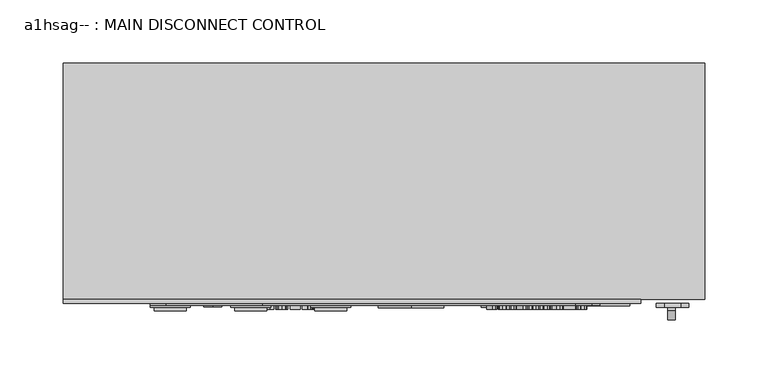
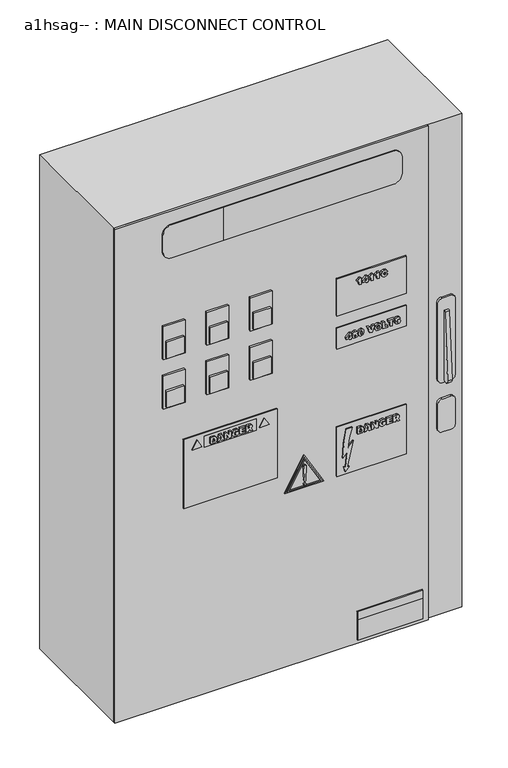
"""IFC4 building model written with IfcOpenShell, lengths in millimetres: proxy geometry, a1hsag-- : MAIN DISCONNECT CONTROL."""

from ifc_helpers import new_model, si_unit, point, frame, frame_2d, origin, place, context, project, spatial, polyline, circle_curve, trimmed, segment, composite_curve, outline, extrude, source, transform, mapped, element, save


def a1hsag_main_disconnect_control_723f6ee7(model_context):
    return source(origin(), model_context, "Body", "SweptSolid", [
        extrude(outline(composite_curve([segment(polyline([(-101.6671125, 1511.6831957), (-94.8771721, 1613.9479397)]), True, "CONTINUOUS"), segment(trimmed(circle_curve(frame_2d((-93.4437112, 1613.9479397)), 1.4334609), [point((-94.8771721, 1613.9479397))], [point((-92.0102502, 1613.9479397))], False, "CARTESIAN"), True, "CONTINUOUS"), segment(polyline([(-92.0102502, 1613.9479397), (-92.0102502, 1510.4974821)]), True, "CONTINUOUS"), segment(trimmed(circle_curve(frame_2d((-96.8386814, 1511.0903389)), 4.8646918), [point((-92.0102502, 1510.4974821))], [point((-101.6671125, 1511.6831957))], False, "CARTESIAN"), True, "CONTINUOUS")], self_intersect=False)), frame((224.5021437, 0.0, 0.0), z_axis=(1.0, 0.0, 0.0), x_axis=(0.0, 1.0, 0.0)), (0.0, 0.0, 1.0), 6.2409672),
        extrude(outline(composite_curve([segment(polyline([(1634.4162783, 234.7627593), (1634.4162783, 222.0627593)]), True, "CONTINUOUS"), segment(trimmed(circle_curve(frame_2d((1628.0662783, 222.0627593)), 6.35), [point((1634.4162783, 222.0627593))], [point((1628.0662783, 215.7127593))], False, "CARTESIAN"), True, "CONTINUOUS"), segment(polyline([(1628.0662783, 215.7127593), (1510.5912783, 215.7127593)]), True, "CONTINUOUS"), segment(trimmed(circle_curve(frame_2d((1510.5912783, 222.0627593)), 6.35), [point((1510.5912783, 215.7127593))], [point((1504.2412783, 222.0627593))], False, "CARTESIAN"), True, "CONTINUOUS"), segment(polyline([(1504.2412783, 222.0627593), (1504.2412783, 234.7627593)]), True, "CONTINUOUS"), segment(trimmed(circle_curve(frame_2d((1510.5912783, 234.7627593)), 6.35), [point((1504.2412783, 234.7627593))], [point((1510.5912783, 241.1127593))], False, "CARTESIAN"), True, "CONTINUOUS"), segment(polyline([(1510.5912783, 241.1127593), (1628.0662783, 241.1127593)]), True, "CONTINUOUS"), segment(trimmed(circle_curve(frame_2d((1628.0662783, 234.7627593)), 6.35), [point((1628.0662783, 241.1127593))], [point((1634.4162783, 234.7627593))], False, "CARTESIAN"), True, "CONTINUOUS")], self_intersect=False)), frame((0.0, -92.0102502, 0.0), z_axis=(0.0, 1.0, 0.0), x_axis=(0.0, 0.0, 1.0)), (0.0, 0.0, 1.0), 3.0349721),
        extrude(outline(composite_curve([segment(polyline([(1478.8412783, 234.7627593), (1478.8412783, 222.0627593)]), True, "CONTINUOUS"), segment(trimmed(circle_curve(frame_2d((1472.4912783, 222.0627593)), 6.35), [point((1478.8412783, 222.0627593))], [point((1472.4912783, 215.7127593))], False, "CARTESIAN"), True, "CONTINUOUS"), segment(polyline([(1472.4912783, 215.7127593), (1434.3912783, 215.7127593)]), True, "CONTINUOUS"), segment(trimmed(circle_curve(frame_2d((1434.3912783, 222.0627593)), 6.35), [point((1434.3912783, 215.7127593))], [point((1428.0412783, 222.0627593))], False, "CARTESIAN"), True, "CONTINUOUS"), segment(polyline([(1428.0412783, 222.0627593), (1428.0412783, 234.7627593)]), True, "CONTINUOUS"), segment(trimmed(circle_curve(frame_2d((1434.3912783, 234.7627593)), 6.35), [point((1428.0412783, 234.7627593))], [point((1434.3912783, 241.1127593))], False, "CARTESIAN"), True, "CONTINUOUS"), segment(polyline([(1434.3912783, 241.1127593), (1472.4912783, 241.1127593)]), True, "CONTINUOUS"), segment(trimmed(circle_curve(frame_2d((1472.4912783, 234.7627593)), 6.35), [point((1472.4912783, 241.1127593))], [point((1478.8412783, 234.7627593))], False, "CARTESIAN"), True, "CONTINUOUS")], self_intersect=False)), frame((0.0, -92.0102502, 0.0), z_axis=(0.0, 1.0, 0.0), x_axis=(0.0, 0.0, 1.0)), (0.0, 0.0, 1.0), 3.0349721),
        extrude(outline(polyline([(194.4604099, -90.5627782), (99.2104099, -90.5627782), (99.2104099, -88.9752782), (194.4604099, -88.9752782), (194.4604099, -90.5627782)])), frame((0.0, 0.0, 1180.0666269), z_axis=(0.0, 0.0, 1.0), x_axis=(1.0, 0.0, 0.0)), (0.0, 0.0, 1.0), 12.7),
        extrude(outline(polyline([(194.4604099, -90.5627782), (99.2104099, -90.5627782), (99.2104099, -88.9752782), (194.4604099, -88.9752782), (194.4604099, -90.5627782)])), frame((0.0, 0.0, 1148.3166269), z_axis=(0.0, 0.0, 1.0), x_axis=(1.0, 0.0, 0.0)), (0.0, 0.0, 1.0), 31.75),
        extrude(outline(polyline([(1539.8118495, -135.5509994), (1527.4385116, -142.6947494), (1527.4385116, -128.4072494), (1539.8118495, -135.5509994)])), frame((0.0, -91.4178739, 0.0), z_axis=(0.0, 1.0, 0.0), x_axis=(0.0, 0.0, 1.0)), (0.0, 0.0, 1.0), 2.4425957),
        extrude(outline(polyline([(1539.8118495, -37.1259994), (1527.4385116, -44.2697494), (1527.4385116, -29.9822494), (1539.8118495, -37.1259994)])), frame((0.0, -91.4178739, 0.0), z_axis=(0.0, 1.0, 0.0), x_axis=(0.0, 0.0, 1.0)), (0.0, 0.0, 1.0), 2.4425957),
        extrude(outline(polyline([(-48.4270901, -90.5627782), (-124.6270901, -90.5627782), (-124.6270901, -88.9752782), (-48.4270901, -88.9752782), (-48.4270901, -90.5627782)])), frame((0.0, 0.0, 1524.5541269), z_axis=(0.0, 0.0, 1.0), x_axis=(1.0, 0.0, 0.0)), (0.0, 0.0, 1.0), 17.4625),
        extrude(outline(polyline([(1440.7769729, -154.7895901), (1440.7769729, -18.2698917), (1546.9122176, -18.2698917), (1546.9122176, -154.7895901), (1440.7769729, -154.7895901)]), holes=[polyline([(1542.0166269, -124.6270901), (1542.0166269, -48.4270901), (1524.5541269, -48.4270901), (1524.5541269, -124.6270901), (1542.0166269, -124.6270901)])]), frame((0.0, -90.5627782, 0.0), z_axis=(0.0, 1.0, 0.0), x_axis=(0.0, 0.0, 1.0)), (0.0, 0.0, 1.0), 1.5875),
        extrude(outline(polyline([(1538.4673885, -116.9096048), (1528.9423885, -116.9096048), (1528.9423885, -112.5293888), (1529.2021081, -110.7726333), (1529.9593807, -109.4463121), (1531.3688706, -108.4803883), (1533.7369887, -108.1316636), (1535.5827492, -108.3665786), (1537.1104262, -109.1209329), (1538.1172047, -110.4384996), (1538.4673885, -112.5293888), (1538.4673885, -116.9096048)]), holes=[polyline([(1536.226212, -113.5624311), (1535.6848862, -111.6028608), (1533.6757065, -111.1198989), (1532.0750746, -111.3358456), (1531.3820024, -111.9326172), (1531.1835649, -113.9213695), (1536.226212, -113.5624311)])]), frame((0.0, -93.7377782, 0.0), z_axis=(0.0, 1.0, 0.0), x_axis=(0.0, 0.0, 1.0)), (0.0, 0.0, 1.0), 3.175),
        extrude(outline(polyline([(1530.4365061, -100.9062041), (1528.9423885, -100.4743107), (1528.9423885, -97.2993107), (1538.4673885, -100.5122473), (1538.4673885, -104.3584329), (1528.9423885, -107.5713695), (1528.9423885, -104.3963695), (1530.4365061, -103.9849035), (1530.4365061, -100.9062041)]), holes=[polyline([(1532.6776826, -101.4723346), (1532.6776826, -103.3662454), (1536.0423655, -102.4353401), (1532.6776826, -101.4723346)])]), frame((0.0, -93.7377782, 0.0), z_axis=(0.0, 1.0, 0.0), x_axis=(0.0, 0.0, 1.0)), (0.0, 0.0, 1.0), 3.175),
        extrude(outline(polyline([(1538.4673885, -96.3654872), (1528.9423885, -96.3654872), (1528.9423885, -93.5640166), (1534.1718002, -93.5640166), (1528.9423885, -90.0154872), (1528.9423885, -87.2140166), (1538.4673885, -87.2140166), (1538.4673885, -90.0154872), (1533.2029583, -90.0154872), (1538.4673885, -93.584444), (1538.4673885, -96.3654872)])), frame((0.0, -93.7377782, 0.0), z_axis=(0.0, 1.0, 0.0), x_axis=(0.0, 0.0, 1.0)), (0.0, 0.0, 1.0), 3.175),
        extrude(outline(polyline([(1532.1173885, -80.4904872), (1531.4578756, -78.6228401), (1531.1018554, -79.6339959), (1530.9968002, -80.5634421), (1531.6300493, -82.1582376), (1533.7399069, -82.7316636), (1535.770973, -82.1917969), (1536.4129767, -80.7443704), (1536.1722253, -79.7405101), (1535.4791532, -79.1831342), (1535.9052102, -76.1948989), (1537.4576918, -76.9682215), (1538.3623333, -78.2609835), (1538.6541532, -80.6101333), (1538.1901596, -83.2044118), (1536.4304859, -85.0793543), (1533.7048885, -85.7198989), (1531.066837, -85.1318819), (1529.3363453, -83.4728861), (1528.7556238, -80.7035156), (1529.1014303, -78.3208065), (1530.4044059, -76.0081342), (1534.3585649, -76.0081342), (1534.3585649, -80.4904872), (1532.1173885, -80.4904872)])), frame((0.0, -93.7377782, 0.0), z_axis=(0.0, 1.0, 0.0), x_axis=(0.0, 0.0, 1.0)), (0.0, 0.0, 1.0), 3.175),
        extrude(outline(polyline([(1538.4673885, -74.3272519), (1528.9423885, -74.3272519), (1528.9423885, -66.2963695), (1531.1835649, -66.2963695), (1531.1835649, -71.3390166), (1533.051212, -71.3390166), (1533.051212, -66.8566636), (1535.2923885, -66.8566636), (1535.2923885, -71.3390166), (1536.226212, -71.3390166), (1536.226212, -66.4831342), (1538.4673885, -66.4831342), (1538.4673885, -74.3272519)])), frame((0.0, -93.7377782, 0.0), z_axis=(0.0, 1.0, 0.0), x_axis=(0.0, 0.0, 1.0)), (0.0, 0.0, 1.0), 3.175),
        extrude(outline(polyline([(1528.9423885, -64.8022519), (1528.9423885, -61.8140166), (1532.4646541, -60.865602), (1531.7555319, -60.3490809), (1528.9423885, -58.8316177), (1528.9423885, -55.4640166), (1532.683519, -57.778148), (1533.0278664, -58.5397978), (1533.4130686, -57.4950827), (1534.3658604, -56.5525046), (1535.7651366, -56.2110754), (1537.3409638, -56.6531825), (1538.2280962, -57.8160846), (1538.4673885, -59.8996783), (1538.4673885, -64.8022519), (1528.9423885, -64.8022519)]), holes=[polyline([(1534.5453297, -61.8140166), (1536.226212, -61.8140166), (1536.226212, -60.5533548), (1534.5453297, -60.6058824), (1534.5453297, -61.8140166)])]), frame((0.0, -93.7377782, 0.0), z_axis=(0.0, 1.0, 0.0), x_axis=(0.0, 0.0, 1.0)), (0.0, 0.0, 1.0), 3.175),
        extrude(outline(composite_curve([segment(polyline([(1481.2181498, 90.897201), (1481.2181498, 82.1917776)]), True, "CONTINUOUS"), segment(trimmed(circle_curve(frame_2d((1439.0604182, 249.3831914)), 172.4246014), [point((1481.2181498, 82.1917776))], [point((1438.6022152, 76.9591988))], False, "CARTESIAN"), True, "CONTINUOUS"), segment(polyline([(1438.6022152, 76.9591988), (1446.0121305, 83.4594695)]), True, "CONTINUOUS"), segment(trimmed(circle_curve(frame_2d((1420.5308251, 221.28371)), 140.1599736), [point((1446.0121305, 83.4594695))], [point((1423.3734189, 81.1525648))], False, "CARTESIAN"), True, "CONTINUOUS"), segment(polyline([(1423.3734189, 81.1525648), (1423.8344634, 78.5378515), (1416.0607039, 80.361431), (1422.460598, 86.3294289), (1423.006071, 83.235898)]), True, "CONTINUOUS"), segment(trimmed(circle_curve(frame_2d((1395.2861898, 289.458675)), 208.0774509), [point((1423.006071, 83.235898))], [point((1460.7738408, 91.9552747))], True, "CARTESIAN"), True, "CONTINUOUS"), segment(polyline([(1460.7738408, 91.9552747), (1451.2741439, 83.9840825)]), True, "CONTINUOUS"), segment(trimmed(circle_curve(frame_2d((1433.8702866, 227.6758991)), 144.7419511), [point((1451.2741439, 83.9840825))], [point((1481.2181498, 90.897201))], True, "CARTESIAN"), True, "CONTINUOUS")], self_intersect=False)), frame((0.0, -92.0102502, 0.0), z_axis=(0.0, 1.0, 0.0), x_axis=(0.0, 0.0, 1.0)), (0.0, 0.0, 1.0), 3.0349721),
        extrude(outline(polyline([(1708.4359061, 102.7634343), (1708.4359061, 100.6243948), (1707.0030706, 99.451279), (1706.0079649, 97.3472578), (1703.7667884, 97.3472578), (1704.3708555, 98.8822303), (1705.1967057, 100.1487284), (1698.7241413, 100.1487284), (1698.7241413, 102.7634343), (1708.4359061, 102.7634343)])), frame((0.0, -93.7377782, 0.0), z_axis=(0.0, 1.0, 0.0), x_axis=(0.0, 0.0, 1.0)), (0.0, 0.0, 1.0), 3.175),
        extrude(outline(polyline([(1700.4050237, 110.0472578), (1698.7241413, 110.0472578), (1698.7241413, 112.2884343), (1700.4050237, 112.2884343), (1700.4050237, 113.4090225), (1702.6462002, 113.4090225), (1702.6462002, 112.2884343), (1708.4359061, 112.2884343), (1708.4359061, 110.0472578), (1702.6170182, 105.1913755), (1700.4050237, 105.1913755), (1700.4050237, 110.0472578)]), holes=[polyline([(1702.6462002, 110.0472578), (1702.6462002, 107.5551163), (1705.6052535, 110.0472578), (1702.6462002, 110.0472578)])]), frame((0.0, -93.7377782, 0.0), z_axis=(0.0, 1.0, 0.0), x_axis=(0.0, 0.0, 1.0)), (0.0, 0.0, 1.0), 3.175),
        extrude(outline(polyline([(1708.4359061, 120.3193167), (1708.4359061, 118.1802771), (1707.0030706, 117.0071613), (1706.0079649, 114.9031402), (1703.7667884, 114.9031402), (1704.3708555, 116.4381126), (1705.1967057, 117.7046108), (1698.7241413, 117.7046108), (1698.7241413, 120.3193167), (1708.4359061, 120.3193167)])), frame((0.0, -93.7377782, 0.0), z_axis=(0.0, 1.0, 0.0), x_axis=(0.0, 0.0, 1.0)), (0.0, 0.0, 1.0), 3.175),
        extrude(outline(polyline([(1708.4359061, 129.0972578), (1708.4359061, 126.9582183), (1707.0030706, 125.7851025), (1706.0079649, 123.6810814), (1703.7667884, 123.6810814), (1704.3708555, 125.2160538), (1705.1967057, 126.482552), (1698.7241413, 126.482552), (1698.7241413, 129.0972578), (1708.4359061, 129.0972578)])), frame((0.0, -93.7377782, 0.0), z_axis=(0.0, 1.0, 0.0), x_axis=(0.0, 0.0, 1.0)), (0.0, 0.0, 1.0), 3.175),
        extrude(outline(polyline([(1702.6462002, 138.6222578), (1701.2571377, 137.9948451), (1700.7785531, 136.7195924), (1701.3636519, 135.3670074), (1703.5245779, 134.8869637), (1705.392225, 135.3013479), (1706.1947296, 136.8830115), (1706.0167195, 137.7059435), (1704.8873766, 138.6222578), (1705.4535072, 141.2369637), (1707.7034382, 139.6786457), (1708.4359061, 136.7983838), (1707.1606533, 133.1783585), (1703.5099869, 131.8987284), (1700.585952, 132.6195235), (1698.9911565, 134.332506), (1698.5373766, 136.8888479), (1698.9123652, 139.0132964), (1700.0241988, 140.4111135), (1701.8612048, 141.2369637), (1702.6462002, 138.6222578)])), frame((0.0, -93.7377782, 0.0), z_axis=(0.0, 1.0, 0.0), x_axis=(0.0, 0.0, 1.0)), (0.0, 0.0, 1.0), 3.175),
        extrude(outline(polyline([(1478.5636057, 97.7674101), (1469.0386057, 97.7674101), (1469.0386057, 102.1476261), (1469.2983254, 103.9043816), (1470.0555979, 105.2307028), (1471.4650878, 106.1966265), (1473.8332059, 106.5453513), (1475.6789665, 106.3104363), (1477.2066434, 105.556082), (1478.2134219, 104.2385153), (1478.5636057, 102.1476261), (1478.5636057, 97.7674101)]), holes=[polyline([(1476.3224292, 101.1145838), (1475.7811034, 103.0741541), (1473.7719237, 103.557116), (1472.1712918, 103.3411693), (1471.4782197, 102.7443977), (1471.2797822, 100.7556454), (1476.3224292, 101.1145838)])]), frame((0.0, -93.7377782, 0.0), z_axis=(0.0, 1.0, 0.0), x_axis=(0.0, 0.0, 1.0)), (0.0, 0.0, 1.0), 3.175),
        extrude(outline(polyline([(1470.5327234, 113.7708108), (1469.0386057, 114.2027042), (1469.0386057, 117.3777042), (1478.5636057, 114.1647676), (1478.5636057, 110.318582), (1469.0386057, 107.1056454), (1469.0386057, 110.2806454), (1470.5327234, 110.6921114), (1470.5327234, 113.7708108)]), holes=[polyline([(1472.7738998, 113.2046803), (1472.7738998, 111.3107695), (1476.1385827, 112.2416748), (1472.7738998, 113.2046803)])]), frame((0.0, -93.7377782, 0.0), z_axis=(0.0, 1.0, 0.0), x_axis=(0.0, 0.0, 1.0)), (0.0, 0.0, 1.0), 3.175),
        extrude(outline(polyline([(1478.5636057, 118.3115277), (1469.0386057, 118.3115277), (1469.0386057, 121.1129983), (1474.2680175, 121.1129983), (1469.0386057, 124.6615277), (1469.0386057, 127.4629983), (1478.5636057, 127.4629983), (1478.5636057, 124.6615277), (1473.2991756, 124.6615277), (1478.5636057, 121.0925709), (1478.5636057, 118.3115277)])), frame((0.0, -93.7377782, 0.0), z_axis=(0.0, 1.0, 0.0), x_axis=(0.0, 0.0, 1.0)), (0.0, 0.0, 1.0), 3.175),
        extrude(outline(polyline([(1472.2136057, 134.1865277), (1471.5540928, 136.0541748), (1471.1980726, 135.043019), (1471.0930175, 134.1135728), (1471.7262666, 132.5187773), (1473.8361241, 131.9453513), (1475.8671903, 132.485218), (1476.5091939, 133.9326445), (1476.2684426, 134.9365048), (1475.5753704, 135.4938807), (1476.0014274, 138.482116), (1477.553909, 137.7087934), (1478.4585506, 136.4160314), (1478.7503704, 134.0668816), (1478.2863768, 131.4726031), (1476.5267031, 129.5976606), (1473.8011057, 128.957116), (1471.1630542, 129.545133), (1469.4325625, 131.2041288), (1468.851841, 133.9734992), (1469.1976475, 136.3562083), (1470.5006232, 138.6688807), (1474.4547822, 138.6688807), (1474.4547822, 134.1865277), (1472.2136057, 134.1865277)])), frame((0.0, -93.7377782, 0.0), z_axis=(0.0, 1.0, 0.0), x_axis=(0.0, 0.0, 1.0)), (0.0, 0.0, 1.0), 3.175),
        extrude(outline(polyline([(1478.5636057, 140.349763), (1469.0386057, 140.349763), (1469.0386057, 148.3806454), (1471.2797822, 148.3806454), (1471.2797822, 143.3379983), (1473.1474292, 143.3379983), (1473.1474292, 147.8203513), (1475.3886057, 147.8203513), (1475.3886057, 143.3379983), (1476.3224292, 143.3379983), (1476.3224292, 148.1938807), (1478.5636057, 148.1938807), (1478.5636057, 140.349763)])), frame((0.0, -93.7377782, 0.0), z_axis=(0.0, 1.0, 0.0), x_axis=(0.0, 0.0, 1.0)), (0.0, 0.0, 1.0), 3.175),
        extrude(outline(polyline([(1469.0386057, 149.874763), (1469.0386057, 152.8629983), (1472.5608713, 153.8114128), (1471.8517491, 154.327934), (1469.0386057, 155.8453972), (1469.0386057, 159.2129983), (1472.7797362, 156.8988669), (1473.1240836, 156.1372171), (1473.5092859, 157.1819322), (1474.4620777, 158.1245103), (1475.8613539, 158.4659395), (1477.4371811, 158.0238324), (1478.3243134, 156.8609303), (1478.5636057, 154.7773366), (1478.5636057, 149.874763), (1469.0386057, 149.874763)]), holes=[polyline([(1474.6415469, 152.8629983), (1476.3224292, 152.8629983), (1476.3224292, 154.1236601), (1474.6415469, 154.0711325), (1474.6415469, 152.8629983)])]), frame((0.0, -93.7377782, 0.0), z_axis=(0.0, 1.0, 0.0), x_axis=(0.0, 0.0, 1.0)), (0.0, 0.0, 1.0), 3.175),
        extrude(outline(polyline([(170.6479099, -90.5627782), (69.0479099, -90.5627782), (69.0479099, -88.9752782), (170.6479099, -88.9752782), (170.6479099, -90.5627782)])), frame((0.0, 0.0, 1411.8416269), z_axis=(0.0, 0.0, 1.0), x_axis=(1.0, 0.0, 0.0)), (0.0, 0.0, 1.0), 76.2),
        extrude(outline(polyline([(1413.4291269, -4.4024594), (1413.4291269, 47.2482793), (1458.1599788, 21.4229099), (1413.4291269, -4.4024594)]), holes=[polyline([(1415.0166269, -1.6528288), (1454.9849788, 21.4229099), (1415.0166269, 44.4986486), (1415.0166269, -1.6528288)])]), frame((0.0, -92.4796389, 0.0), z_axis=(0.0, 1.0, 0.0), x_axis=(0.0, 0.0, 1.0)), (0.0, 0.0, 1.0), 3.5043607),
        extrude(outline(composite_curve([segment(trimmed(circle_curve(frame_2d((1417.82111, 21.4229099)), 1.4917322), [point((1417.82111, 19.9311777))], [point((1417.82111, 22.9146421))], False, "CARTESIAN"), True, "CONTINUOUS"), segment(trimmed(circle_curve(frame_2d((1417.82111, 21.4229099)), 1.4917322), [point((1417.82111, 22.9146421))], [point((1417.82111, 19.9311777))], False, "CARTESIAN"), True, "CONTINUOUS")], self_intersect=False)), frame((0.0, -92.4796389, 0.0), z_axis=(0.0, 1.0, 0.0), x_axis=(0.0, 0.0, 1.0)), (0.0, 0.0, 1.0), 3.5043607),
        extrude(outline(composite_curve([segment(polyline([(1445.3559038, 19.2486316), (1423.4625384, 20.4338864)]), True, "CONTINUOUS"), segment(trimmed(circle_curve(frame_2d((1423.5160818, 21.4229099)), 0.9904718), [point((1423.4625384, 20.4338864))], [point((1423.4625384, 22.4119334))], False, "CARTESIAN"), True, "CONTINUOUS"), segment(polyline([(1423.4625384, 22.4119334), (1445.3559038, 23.5971883)]), True, "CONTINUOUS"), segment(trimmed(circle_curve(frame_2d((1445.3559038, 21.4229099)), 2.1742784), [point((1445.3559038, 23.5971883))], [point((1445.3559038, 19.2486316))], False, "CARTESIAN"), True, "CONTINUOUS")], self_intersect=False)), frame((0.0, -92.4796389, 0.0), z_axis=(0.0, 1.0, 0.0), x_axis=(0.0, 0.0, 1.0)), (0.0, 0.0, 1.0), 3.5043607),
        extrude(outline(polyline([(1461.3349788, 21.4229099), (1411.8416269, -7.1520901), (1411.8416269, 49.9979099), (1461.3349788, 21.4229099)])), frame((0.0, -90.5627782, 0.0), z_axis=(0.0, 1.0, 0.0), x_axis=(0.0, 0.0, 1.0)), (0.0, 0.0, 1.0), 1.5875),
        extrude(outline(polyline([(1620.8796236, 86.0296404), (1619.1987412, 86.0296404), (1619.1987412, 88.2708169), (1620.8796236, 88.2708169), (1620.8796236, 89.3914051), (1623.1208001, 89.3914051), (1623.1208001, 88.2708169), (1628.9105059, 88.2708169), (1628.9105059, 86.0296404), (1623.0916181, 81.173758), (1620.8796236, 81.173758), (1620.8796236, 86.0296404)]), holes=[polyline([(1623.1208001, 86.0296404), (1623.1208001, 83.5374988), (1626.0798534, 86.0296404), (1623.1208001, 86.0296404)])]), frame((0.0, -93.7377782, 0.0), z_axis=(0.0, 1.0, 0.0), x_axis=(0.0, 0.0, 1.0)), (0.0, 0.0, 1.0), 3.175),
        extrude(outline(polyline([(1624.4369076, 91.903974), (1623.5132978, 90.7118899), (1622.0556576, 90.3252286), (1620.4608621, 90.7337764), (1619.3796695, 91.9287787), (1619.0119765, 94.2064327), (1619.1753956, 95.6976321), (1619.6860804, 96.8678297), (1620.6709724, 97.6601206), (1622.0410666, 97.9825816), (1623.4301291, 97.6090522), (1624.4369076, 96.4738729), (1625.2248212, 97.2705411), (1626.4037734, 97.6090522), (1628.1984655, 96.7306744), (1628.9105059, 94.0138316), (1628.338539, 91.7814097), (1626.4212826, 90.698758), (1625.163539, 91.0606147), (1624.4369076, 91.903974)]), holes=[polyline([(1622.1811401, 92.9399345), (1623.1397684, 93.2974138), (1623.4943295, 94.1393141), (1623.1280956, 94.9972645), (1622.1869765, 95.3678757), (1621.2487757, 95.0001827), (1620.8796236, 94.1684961), (1621.2429393, 93.3134639), (1622.1811401, 92.9399345)])]), frame((0.0, -93.7377782, 0.0), z_axis=(0.0, 1.0, 0.0), x_axis=(0.0, 0.0, 1.0)), (0.0, 0.0, 1.0), 3.175),
        extrude(outline(polyline([(1623.9991778, 99.1031698), (1621.9724889, 99.2913936), (1620.5265216, 99.8181284), (1619.3971787, 101.0145898), (1619.0119765, 102.9260099), (1620.2201107, 105.8981951), (1624.0341962, 106.7605227), (1626.2666181, 106.4978849), (1627.2485919, 106.1433238), (1628.0525556, 105.5392567), (1628.6726728, 104.5485283), (1628.9105059, 102.9960466), (1627.8205588, 100.0647162), (1623.9991778, 99.1031698)]), holes=[polyline([(1623.9699958, 101.7178757), (1626.3891824, 101.9980227), (1627.0428589, 102.9114189), (1626.4023143, 103.8364878), (1623.8999591, 104.1458169), (1622.0337711, 104.0115797), (1620.8796236, 102.9230917), (1621.5333001, 102.0272047), (1623.9699958, 101.7178757)])]), frame((0.0, -93.7377782, 0.0), z_axis=(0.0, 1.0, 0.0), x_axis=(0.0, 0.0, 1.0)), (0.0, 0.0, 1.0), 3.175),
        extrude(outline(polyline([(1628.7237412, 111.9899345), (1619.1987412, 115.5297093), (1619.1987412, 118.7017911), (1628.7237412, 122.2619933), (1628.7237412, 119.0869933), (1621.8688929, 117.1259639), (1628.7237412, 115.1620163), (1628.7237412, 111.9899345)])), frame((0.0, -93.7377782, 0.0), z_axis=(0.0, 1.0, 0.0), x_axis=(0.0, 0.0, 1.0)), (0.0, 0.0, 1.0), 3.175),
        extrude(outline(polyline([(1623.9554048, 122.6355227), (1621.1612297, 123.2935765), (1619.5284977, 125.0109363), (1619.0119765, 127.6869244), (1619.6087481, 130.341026), (1621.2808759, 131.9708398), (1624.0341962, 132.5340522), (1627.6279577, 131.2442084), (1628.9105059, 127.5672783), (1627.6046121, 123.9384984), (1623.9554048, 122.6355227)]), holes=[polyline([(1623.9554048, 125.623758), (1626.0389986, 126.1548702), (1626.6693295, 127.5614419), (1626.0492123, 129.0117865), (1624.0838056, 129.5458169), (1621.870352, 129.033673), (1621.253153, 127.5877057), (1621.8834839, 126.151952), (1623.9554048, 125.623758)])]), frame((0.0, -93.7377782, 0.0), z_axis=(0.0, 1.0, 0.0), x_axis=(0.0, 0.0, 1.0)), (0.0, 0.0, 1.0), 3.175),
        extrude(outline(polyline([(1628.7237412, 134.0281698), (1619.1987412, 134.0281698), (1619.1987412, 141.498758), (1621.4399177, 141.498758), (1621.4399177, 137.0164051), (1628.7237412, 137.0164051), (1628.7237412, 134.0281698)])), frame((0.0, -93.7377782, 0.0), z_axis=(0.0, 1.0, 0.0), x_axis=(0.0, 0.0, 1.0)), (0.0, 0.0, 1.0), 3.175),
        extrude(outline(polyline([(1628.7237412, 142.2458169), (1626.4825648, 142.2458169), (1626.4825648, 145.2340522), (1619.1987412, 145.2340522), (1619.1987412, 148.2222875), (1626.4825648, 148.2222875), (1626.4825648, 151.2105227), (1628.7237412, 151.2105227), (1628.7237412, 142.2458169)])), frame((0.0, -93.7377782, 0.0), z_axis=(0.0, 1.0, 0.0), x_axis=(0.0, 0.0, 1.0)), (0.0, 0.0, 1.0), 3.175),
        extrude(outline(polyline([(1622.3795776, 151.7708169), (1619.9633093, 152.8242865), (1619.0119765, 156.168542), (1619.4176061, 158.4505733), (1620.6096902, 159.8586041), (1622.3241319, 160.3619933), (1623.7584264, 159.9855457), (1624.8308644, 158.7803297), (1625.6858966, 156.0372231), (1627.2296236, 155.9117406), (1626.9188354, 156.6485857), (1625.9222706, 157.0002286), (1626.0944444, 159.9884639), (1628.2364021, 158.8664166), (1628.9105059, 156.1276873), (1628.5369765, 153.8223104), (1627.5126888, 152.5631078), (1626.1294627, 152.1443463), (1624.2939159, 152.9701965), (1623.1266365, 155.7074667), (1621.1816571, 157.0746427), (1620.8796236, 156.2239878), (1621.4807725, 155.0829722), (1622.5605059, 154.7590522), (1622.3795776, 151.7708169)])), frame((0.0, -93.7377782, 0.0), z_axis=(0.0, 1.0, 0.0), x_axis=(0.0, 0.0, 1.0)), (0.0, 0.0, 1.0), 3.175),
        extrude(outline(polyline([(170.6479099, -90.5627782), (69.0479099, -90.5627782), (69.0479099, -88.9752782), (170.6479099, -88.9752782), (170.6479099, -90.5627782)])), frame((0.0, 0.0, 1608.6916269), z_axis=(0.0, 0.0, 1.0), x_axis=(1.0, 0.0, 0.0)), (0.0, 0.0, 1.0), 31.75),
        extrude(outline(polyline([(170.6479099, -90.5627782), (69.0479099, -90.5627782), (69.0479099, -88.9752782), (170.6479099, -88.9752782), (170.6479099, -90.5627782)])), frame((0.0, 0.0, 1659.4916269), z_axis=(0.0, 0.0, 1.0), x_axis=(1.0, 0.0, 0.0)), (0.0, 0.0, 1.0), 57.15),
        extrude(outline(polyline([(-156.3823917, -94.8771721), (-181.7823917, -94.8771721), (-181.7823917, -88.9752782), (-156.3823917, -88.9752782), (-156.3823917, -94.8771721)])), frame((0.0, 0.0, 1608.1735618), z_axis=(0.0, 0.0, 1.0), x_axis=(1.0, 0.0, 0.0)), (0.0, 0.0, 1.0), 25.4),
        extrude(outline(polyline([(-153.2020901, -92.0102502), (-184.9520901, -92.0102502), (-184.9520901, -88.9752782), (-153.2020901, -88.9752782), (-153.2020901, -92.0102502)])), frame((0.0, 0.0, 1605.5166269), z_axis=(0.0, 0.0, 1.0), x_axis=(1.0, 0.0, 0.0)), (0.0, 0.0, 1.0), 50.8),
        extrude(outline(polyline([(-92.8823917, -94.8771721), (-118.2823917, -94.8771721), (-118.2823917, -88.9752782), (-92.8823917, -88.9752782), (-92.8823917, -94.8771721)])), frame((0.0, 0.0, 1608.1735618), z_axis=(0.0, 0.0, 1.0), x_axis=(1.0, 0.0, 0.0)), (0.0, 0.0, 1.0), 25.4),
        extrude(outline(polyline([(-89.7020901, -92.0102502), (-121.4520901, -92.0102502), (-121.4520901, -88.9752782), (-89.7020901, -88.9752782), (-89.7020901, -92.0102502)])), frame((0.0, 0.0, 1605.5166269), z_axis=(0.0, 0.0, 1.0), x_axis=(1.0, 0.0, 0.0)), (0.0, 0.0, 1.0), 50.8),
        extrude(outline(polyline([(-29.3823917, -94.8771721), (-54.7823917, -94.8771721), (-54.7823917, -88.9752782), (-29.3823917, -88.9752782), (-29.3823917, -94.8771721)])), frame((0.0, 0.0, 1608.1735618), z_axis=(0.0, 0.0, 1.0), x_axis=(1.0, 0.0, 0.0)), (0.0, 0.0, 1.0), 25.4),
        extrude(outline(polyline([(-26.2020901, -92.0102502), (-57.9520901, -92.0102502), (-57.9520901, -88.9752782), (-26.2020901, -88.9752782), (-26.2020901, -92.0102502)])), frame((0.0, 0.0, 1605.5166269), z_axis=(0.0, 0.0, 1.0), x_axis=(1.0, 0.0, 0.0)), (0.0, 0.0, 1.0), 50.8),
        extrude(outline(polyline([(-29.3823917, -94.8771721), (-54.7823917, -94.8771721), (-54.7823917, -88.9752782), (-29.3823917, -88.9752782), (-29.3823917, -94.8771721)])), frame((0.0, 0.0, 1684.3735618), z_axis=(0.0, 0.0, 1.0), x_axis=(1.0, 0.0, 0.0)), (0.0, 0.0, 1.0), 25.4),
        extrude(outline(polyline([(-26.2020901, -92.0102502), (-57.9520901, -92.0102502), (-57.9520901, -88.9752782), (-26.2020901, -88.9752782), (-26.2020901, -92.0102502)])), frame((0.0, 0.0, 1681.7166269), z_axis=(0.0, 0.0, 1.0), x_axis=(1.0, 0.0, 0.0)), (0.0, 0.0, 1.0), 50.8),
        extrude(outline(polyline([(-92.8823917, -94.8771721), (-118.2823917, -94.8771721), (-118.2823917, -88.9752782), (-92.8823917, -88.9752782), (-92.8823917, -94.8771721)])), frame((0.0, 0.0, 1684.3735618), z_axis=(0.0, 0.0, 1.0), x_axis=(1.0, 0.0, 0.0)), (0.0, 0.0, 1.0), 25.4),
        extrude(outline(polyline([(-89.7020901, -92.0102502), (-121.4520901, -92.0102502), (-121.4520901, -88.9752782), (-89.7020901, -88.9752782), (-89.7020901, -92.0102502)])), frame((0.0, 0.0, 1681.7166269), z_axis=(0.0, 0.0, 1.0), x_axis=(1.0, 0.0, 0.0)), (0.0, 0.0, 1.0), 50.8),
        extrude(outline(polyline([(-156.3823917, -94.8771721), (-181.7823917, -94.8771721), (-181.7823917, -88.9752782), (-156.3823917, -88.9752782), (-156.3823917, -94.8771721)])), frame((0.0, 0.0, 1684.3735618), z_axis=(0.0, 0.0, 1.0), x_axis=(1.0, 0.0, 0.0)), (0.0, 0.0, 1.0), 25.4),
        extrude(outline(polyline([(-153.2020901, -92.0102502), (-184.9520901, -92.0102502), (-184.9520901, -88.9752782), (-153.2020901, -88.9752782), (-153.2020901, -92.0102502)])), frame((0.0, 0.0, 1681.7166269), z_axis=(0.0, 0.0, 1.0), x_axis=(1.0, 0.0, 0.0)), (0.0, 0.0, 1.0), 50.8),
        extrude(outline(composite_curve([segment(polyline([(1834.1166269, -96.0520901), (1834.1166269, 151.5979099)]), True, "CONTINUOUS"), segment(trimmed(circle_curve(frame_2d((1846.8166269, 151.5979099)), 12.7), [point((1834.1166269, 151.5979099))], [point((1846.8166269, 164.2979099))], False, "CARTESIAN"), True, "CONTINUOUS"), segment(polyline([(1846.8166269, 164.2979099), (1872.2166269, 164.2979099)]), True, "CONTINUOUS"), segment(trimmed(circle_curve(frame_2d((1872.2166269, 151.5979099)), 12.7), [point((1872.2166269, 164.2979099))], [point((1884.9166269, 151.5979099))], False, "CARTESIAN"), True, "CONTINUOUS"), segment(polyline([(1884.9166269, 151.5979099), (1884.9166269, -96.0520901), (1834.1166269, -96.0520901)]), True, "CONTINUOUS")], self_intersect=False)), frame((0.0, -90.5627782, 0.0), z_axis=(0.0, 1.0, 0.0), x_axis=(0.0, 0.0, 1.0)), (0.0, 0.0, 1.0), 1.5875),
        extrude(outline(composite_curve([segment(polyline([(1834.1166269, -96.0520901), (1884.9166269, -96.0520901), (1884.9166269, -172.2520901)]), True, "CONTINUOUS"), segment(trimmed(circle_curve(frame_2d((1872.2166269, -172.2520901)), 12.7), [point((1884.9166269, -172.2520901))], [point((1872.2166269, -184.9520901))], False, "CARTESIAN"), True, "CONTINUOUS"), segment(polyline([(1872.2166269, -184.9520901), (1846.8166269, -184.9520901)]), True, "CONTINUOUS"), segment(trimmed(circle_curve(frame_2d((1846.8166269, -172.2520901)), 12.7), [point((1846.8166269, -184.9520901))], [point((1834.1166269, -172.2520901))], False, "CARTESIAN"), True, "CONTINUOUS"), segment(polyline([(1834.1166269, -172.2520901), (1834.1166269, -96.0520901)]), True, "CONTINUOUS")], self_intersect=False)), frame((0.0, -90.5627782, 0.0), z_axis=(0.0, 1.0, 0.0), x_axis=(0.0, 0.0, 1.0)), (0.0, 0.0, 1.0), 1.5875),
        extrude(outline(polyline([(203.2, -88.9752782), (-254.0, -88.9752782), (-254.0, -85.8002782), (203.2, -85.8002782), (203.2, -88.9752782)])), frame((0.0, 0.0, 1143.0), z_axis=(0.0, 0.0, 1.0), x_axis=(1.0, 0.0, 0.0)), (0.0, 0.0, 1.0), 762.0),
        extrude(outline(polyline([(254.0, 101.6), (254.0, -85.8002782), (-254.0, -85.8002782), (-254.0, 101.6), (254.0, 101.6)])), frame((0.0, 0.0, 1143.0), z_axis=(0.0, 0.0, 1.0), x_axis=(1.0, 0.0, 0.0)), (0.0, 0.0, 1.0), 762.0),
    ])


if __name__ == "__main__":
    model = new_model("IFC4")
    model_context = context("Model", 3, world=origin())
    ifc_project = project(units=[si_unit("LENGTHUNIT", "METRE", prefix="MILLI")], contexts=[model_context])
    site = spatial("IfcSite", under=ifc_project)
    building = spatial("IfcBuilding", under=site)
    placement = place(None, origin())
    a1hsag_main_disconnect_control_shape = a1hsag_main_disconnect_control_723f6ee7(model_context)
    element("IfcBuildingElementProxy", 1, Name="a1hsag-- : MAIN DISCONNECT CONTROL", ObjectType="a1hsag-- : MAIN DISCONNECT CONTROL", at=placement, inside=building, context=model_context, shape_type="MappedRepresentation", body=[
        mapped(a1hsag_main_disconnect_control_shape, transform((0.0, 0.0, 0.0), x_axis=(1.0, 0.0, 0.0), y_axis=(0.0, 1.0, 0.0), z_axis=(0.0, 0.0, 1.0))),
    ])
    save(model, "model.ifc")
